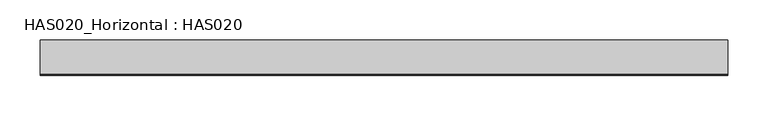
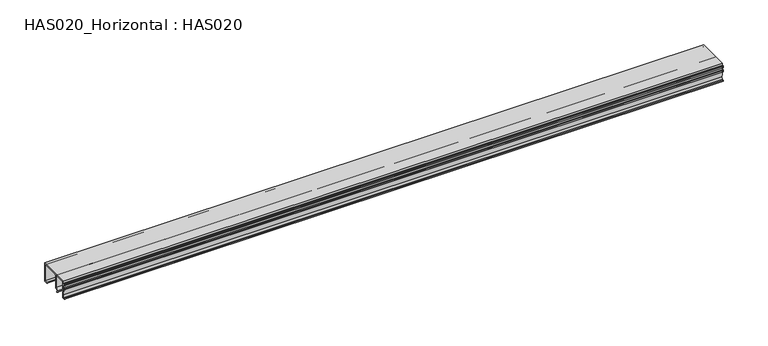
"""IFC4 building model written with IfcOpenShell, lengths in millimetres: beam geometry, HAS020_Horizontal : HAS020."""

from ifc_helpers import new_model, si_unit, point, frame, frame_2d, origin, place, context, project, spatial, polyline, circle_curve, trimmed, segment, composite_curve, outline, extrude, source, transform, mapped, element, save


def has020_horizontal_has020_d039185b(model_context):
    return source(origin(), model_context, "Body", "SweptSolid", [
        extrude(outline(composite_curve([segment(polyline([(20.6950115, 1.3049885), (20.6950115, 22.8919416)]), True, "CONTINUOUS"), segment(trimmed(circle_curve(frame_2d((19.8919416, 22.8919416)), 0.8030699), [point((20.6950115, 22.8919416))], [point((19.8919416, 23.6950115))], True, "CARTESIAN"), True, "CONTINUOUS"), segment(polyline([(19.8919416, 23.6950115), (-1.2890257, 23.6950115)]), True, "CONTINUOUS"), segment(trimmed(circle_curve(frame_2d((-1.2890257, 22.8919416)), 0.8030699), [point((-1.2890257, 23.6950115))], [point((-2.0920956, 22.8919416))], True, "CARTESIAN"), True, "CONTINUOUS"), segment(polyline([(-2.0920956, 22.8919416), (-2.0920956, 4.9156987), (-3.8480301, 5.2253173), (-5.6055262, 3.4678212), (-4.9969822, 2.413792)]), True, "CONTINUOUS"), segment(trimmed(circle_curve(frame_2d((-5.4316565, 2.1628327)), 0.5019187), [point((-4.9969822, 2.413792))], [point((-5.8663308, 1.9118734))], False, "CARTESIAN"), True, "CONTINUOUS"), segment(polyline([(-5.8663308, 1.9118734), (-6.551902, 3.0993175)]), True, "CONTINUOUS"), segment(trimmed(circle_curve(frame_2d((-5.8564231, 3.5008524)), 0.8030699), [point((-6.551902, 3.0993175))], [point((-6.4242792, 4.0687086))], False, "CARTESIAN"), True, "CONTINUOUS"), segment(polyline([(-6.4242792, 4.0687086), (-3.2967004, 7.1962874), (-3.2967004, 22.8919416)]), True, "CONTINUOUS"), segment(trimmed(circle_curve(frame_2d((-4.0997702, 22.8919416)), 0.8030699), [point((-3.2967004, 22.8919416))], [point((-4.0997702, 23.6950115))], True, "CARTESIAN"), True, "CONTINUOUS"), segment(polyline([(-4.0997702, 23.6950115), (-17.5868685, 23.6950115)]), True, "CONTINUOUS"), segment(trimmed(circle_curve(frame_2d((-17.5868685, 22.8919416)), 0.8030699), [point((-17.5868685, 23.6950115))], [point((-18.3899384, 22.8919416))], True, "CARTESIAN"), True, "CONTINUOUS"), segment(polyline([(-18.3899384, 22.8919416), (-18.3899384, 15.4133536)]), True, "CONTINUOUS"), segment(trimmed(circle_curve(frame_2d((-19.1930082, 15.4133536)), 0.8030699), [point((-18.3899384, 15.4133536))], [point((-19.408731, 14.6398002))], False, "CARTESIAN"), True, "CONTINUOUS"), segment(polyline([(-19.408731, 14.6398002), (-17.9906398, 6.5974057), (-18.4036027, 1.6609141), (-21.0977895, 1.6609141)]), True, "CONTINUOUS"), segment(trimmed(circle_curve(frame_2d((-21.0977895, 2.2632164)), 0.6023024), [point((-21.0977895, 1.6609141))], [point((-21.0977895, 2.8655188))], False, "CARTESIAN"), True, "CONTINUOUS"), segment(polyline([(-21.0977895, 2.8655188), (-19.509176, 2.8655188), (-19.1930082, 6.4793332), (-20.6267142, 14.6102838), (-21.5018341, 14.6102838)]), True, "CONTINUOUS"), segment(trimmed(circle_curve(frame_2d((-21.5018341, 15.1122024)), 0.5019187), [point((-21.5018341, 14.6102838))], [point((-22.0037527, 15.1122024))], False, "CARTESIAN"), True, "CONTINUOUS"), segment(polyline([(-22.0037527, 15.1122024), (-22.0037527, 16.7175747)]), True, "CONTINUOUS"), segment(trimmed(circle_curve(frame_2d((-21.5018341, 16.7175747)), 0.5019187), [point((-22.0037527, 16.7175747))], [point((-20.9999154, 16.7175747))], False, "CARTESIAN"), True, "CONTINUOUS"), segment(polyline([(-20.9999154, 16.7175747), (-20.9999154, 15.9152723), (-19.5945432, 15.9152723), (-19.5945432, 21.3359938), (-20.9999154, 21.3359938), (-20.9999154, 20.5336914)]), True, "CONTINUOUS"), segment(trimmed(circle_curve(frame_2d((-21.5018341, 20.5336914)), 0.5019187), [point((-20.9999154, 20.5336914))], [point((-22.0037527, 20.5336914))], False, "CARTESIAN"), True, "CONTINUOUS"), segment(polyline([(-22.0037527, 20.5336914), (-22.0037527, 22.1390636)]), True, "CONTINUOUS"), segment(trimmed(circle_curve(frame_2d((-21.5018341, 22.1390636)), 0.5019187), [point((-22.0037527, 22.1390636))], [point((-21.5018341, 22.6409823))], False, "CARTESIAN"), True, "CONTINUOUS"), segment(polyline([(-21.5018341, 22.6409823), (-19.7953106, 22.6409823), (-19.7953106, 25.0), (22.0, 25.0), (22.0, 0.0), (17.6333077, 0.0)]), True, "CONTINUOUS"), segment(trimmed(circle_curve(frame_2d((17.6333077, 0.6524943)), 0.6524943), [point((17.6333077, 0.0))], [point((17.6333077, 1.3049885))], False, "CARTESIAN"), True, "CONTINUOUS"), segment(polyline([(17.6333077, 1.3049885), (20.6950115, 1.3049885)]), True, "CONTINUOUS")], self_intersect=False)), frame((-425.0378612, 0.0, 0.0), z_axis=(1.0, 0.0, 0.0), x_axis=(0.0, 1.0, 0.0)), (0.0, 0.0, 1.0), 850.0757225),
    ])


if __name__ == "__main__":
    model = new_model("IFC4")
    model_context = context("Model", 3, world=origin())
    ifc_project = project(units=[si_unit("LENGTHUNIT", "METRE", prefix="MILLI")], contexts=[model_context])
    site = spatial("IfcSite", under=ifc_project)
    building = spatial("IfcBuilding", under=site)
    placement = place(None, origin())
    has020_horizontal_has020_shape = has020_horizontal_has020_d039185b(model_context)
    element("IfcBeam", 1, ObjectType="HAS020_Horizontal : HAS020", at=placement, inside=building, context=model_context, shape_type="MappedRepresentation", body=[
        mapped(has020_horizontal_has020_shape, transform((0.0, 0.0, 0.0), x_axis=(1.0, 0.0, 0.0), y_axis=(0.0, 1.0, 0.0), z_axis=(0.0, 0.0, 1.0))),
    ])
    save(model, "model.ifc")
